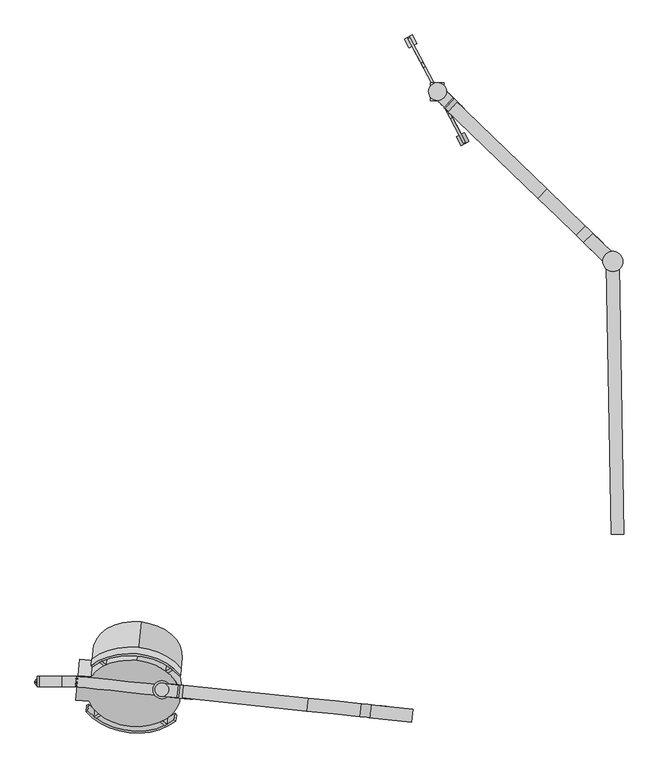
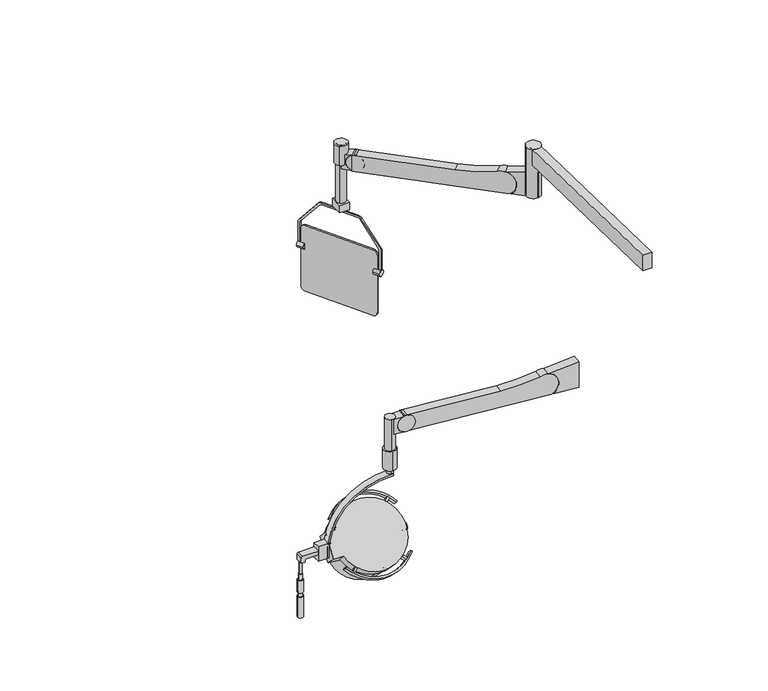
"""IFC4 building model written with IfcOpenShell, lengths in millimetres: proxy geometry."""

from ifc_helpers import new_model, si_unit, point, frame, frame_2d, origin, place, context, project, spatial, polyline, circle_curve, ellipse_curve, trimmed, segment, composite_curve, outline, extrude, source, transform, mapped, element, save
from ifc_brep_helpers import plane_surface, cylinder_surface, revolved_surface, advanced_brep


def specialty_equipment_4b2de52b(model_context):
    return source(origin(), model_context, "Body", "SolidModel", [
        advanced_brep(
        [(-1305.6702452, -813.0394482, 1924.8121858), (-1287.8350902, -643.3492828, 2095.4370521), (-1303.2106931, -789.6383728, 2071.9070769), (-1305.4358693, -810.8095105, 1927.0544067), (-1288.0694661, -645.5792206, 2093.1948312), (-1303.0127539, -787.7551075, 2070.0134381)],
        [
            (0, 1, circle_curve(frame((-1296.7526677, -728.1943655, 2010.124619), z_axis=(-0.07391278520356967, -0.703233176253404, 0.7071067811865475), x_axis=(0.07391278520356882, 0.7032331762534039, 0.7071067811865477)), 120.65)),
            (1, 2, circle_curve(frame((-1291.6310542, -679.465468, 1850.9185502), z_axis=(0.994521895368273, -0.1045284632676576, 0.0), x_axis=(-0.10452846326765822, -0.994521895368273, 0.0)), 247.2004974)),
            (2, 0, circle_curve(frame((-1280.111102, -569.8604443, 1961.127309), z_axis=(0.9945218953682734, -0.10452846326765301, 0.0), x_axis=(0.0, 0.0, 1.0000000000000002)), 247.2004974)),
            (1, 0, circle_curve(frame((-1296.7526677, -728.1943655, 2010.124619), z_axis=(-0.07391278520356967, -0.703233176253404, 0.7071067811865475), x_axis=(0.07391278520356882, 0.7032331762534039, 0.7071067811865477)), 120.65)),
            (3, 4, circle_curve(frame((-1296.7526677, -728.1943655, 2010.124619), z_axis=(-0.07391278520356967, -0.703233176253404, 0.7071067811865475), x_axis=(0.07391278520356882, 0.7032331762534039, 0.7071067811865477)), 117.4790208)),
            (4, 1),
            (0, 3),
            (4, 3, circle_curve(frame((-1296.7526677, -728.1943655, 2010.124619), z_axis=(-0.07391278520356967, -0.703233176253404, 0.7071067811865475), x_axis=(0.07391278520356882, 0.7032331762534039, 0.7071067811865477)), 117.4790208)),
            (5, 4, circle_curve(frame((-1291.6310542, -679.465468, 1850.9185502), z_axis=(-0.994521895368273, 0.1045284632676576, 0.0), x_axis=(-0.10452846326765822, -0.994521895368273, 0.0)), 244.6604974)),
            (3, 5, circle_curve(frame((-1280.111102, -569.8604443, 1961.127309), z_axis=(-0.9945218953682734, 0.10452846326765301, 0.0), x_axis=(0.0, 0.0, 1.0000000000000002)), 244.6604974)),
        ],
        [
            revolved_surface(trimmed(ellipse_curve(frame((-1291.6310542, -679.465468, 1850.9185502), z_axis=(-0.994521895368273, 0.1045284632676576, 0.0), x_axis=(-0.10452846326765822, -0.994521895368273, 0.0)), 247.2004974, 247.2004974), [point((-1303.2106931, -789.6383728, 2071.9070769))], [point((-1287.8350902, -643.3492828, 2095.4370521))], True, "CARTESIAN"), (-1298.4359791, -744.2100033, 2026.2284753), (0.07391278520356967, 0.703233176253404, -0.7071067811865475)),
            revolved_surface(trimmed(ellipse_curve(frame((-1291.6310542, -679.465468, 1850.9185502), z_axis=(-0.9945218953682728, 0.10452846326765822, 0.0), x_axis=(-0.10452846326765881, -0.9945218953682728, 0.0)), 247.2004974, 247.2004974), [point((-1303.2106931, -789.6383728, 2071.9070769))], [point((-1287.8350902, -643.3492828, 2095.4370521))], True, "CARTESIAN"), (-1298.4359791, -744.2100033, 2026.2284753), (0.07391278520356967, 0.703233176253404, -0.7071067811865475)),
            plane_surface(frame((-1296.7526677, -728.1943655, 2010.124619), z_axis=(0.07391278520356884, 0.7032331762534041, -0.7071067811865475), x_axis=(0.07391278520356882, 0.7032331762534039, 0.7071067811865477))),
            revolved_surface(trimmed(ellipse_curve(frame((-1291.6310542, -679.465468, 1850.9185502), z_axis=(0.994521895368273, -0.1045284632676576, 0.0), x_axis=(-0.10452846326765822, -0.994521895368273, 0.0)), 244.6604974, 244.6604974), [point((-1288.0694661, -645.5792206, 2093.1948312))], [point((-1303.0127539, -787.7551075, 2070.0134381))], True, "CARTESIAN"), (-1298.4359791, -744.2100033, 2026.2284753), (0.07391278520356967, 0.703233176253404, -0.7071067811865475)),
            revolved_surface(trimmed(ellipse_curve(frame((-1291.6310542, -679.465468, 1850.9185502), z_axis=(0.9945218953682728, -0.10452846326765822, 0.0), x_axis=(-0.10452846326765881, -0.9945218953682728, 0.0)), 244.6604974, 244.6604974), [point((-1288.0694661, -645.5792206, 2093.1948312))], [point((-1303.0127539, -787.7551075, 2070.0134381))], True, "CARTESIAN"), (-1298.4359791, -744.2100033, 2026.2284753), (0.07391278520356967, 0.703233176253404, -0.7071067811865475)),
        ],
        [
            (0, [[1, 2, 3]]),
            (1, [[4, -3, -2]]),
            (2, [[5, 6, -1, 7]]),
            (2, [[8, -7, -4, -6]]),
            (3, [[9, -5, 10]]),
            (4, [[-10, -8, -9]]),
        ],
    ),
        advanced_brep(
        [(-1304.1493855, -798.5694341, 2062.9268208), (-1302.2720007, -780.7073114, 2080.8873331), (-1303.2106931, -789.6383728, 2071.9070769), (-1300.8639622, -767.3107194, 2031.4959244), (-1298.9865774, -749.4485967, 2049.4564366), (-1299.9252698, -758.3796581, 2040.4761805)],
        [
            (0, 1, circle_curve(frame((-1303.2106931, -789.6383728, 2071.9070769), z_axis=(-0.07391278520356967, -0.703233176253404, 0.7071067811865475), x_axis=(0.07391278520356882, 0.7032331762534039, 0.7071067811865477)), 12.7)),
            (1, 2),
            (2, 0),
            (1, 0, circle_curve(frame((-1303.2106931, -789.6383728, 2071.9070769), z_axis=(-0.07391278520356967, -0.703233176253404, 0.7071067811865475), x_axis=(0.07391278520356882, 0.7032331762534039, 0.7071067811865477)), 12.7)),
            (3, 4, circle_curve(frame((-1299.9252698, -758.3796581, 2040.4761805), z_axis=(-0.07391278520356967, -0.703233176253404, 0.7071067811865475), x_axis=(0.07391278520356882, 0.7032331762534039, 0.7071067811865477)), 12.7)),
            (4, 1),
            (0, 3),
            (4, 3, circle_curve(frame((-1299.9252698, -758.3796581, 2040.4761805), z_axis=(-0.07391278520356967, -0.703233176253404, 0.7071067811865475), x_axis=(0.07391278520356882, 0.7032331762534039, 0.7071067811865477)), 12.7)),
            (5, 4),
            (3, 5),
        ],
        [
            plane_surface(frame((-1303.2106931, -789.6383728, 2071.9070769), z_axis=(-0.07391278520356884, -0.7032331762534041, 0.7071067811865475), x_axis=(0.07391278520356882, 0.7032331762534039, 0.7071067811865477))),
            cylinder_surface(frame((-1298.4359791, -744.2100033, 2026.2284753), z_axis=(0.07391278520356967, 0.703233176253404, -0.7071067811865475), x_axis=(0.07391278520356882, 0.7032331762534039, 0.7071067811865477)), 12.7),
            plane_surface(frame((-1299.9252698, -758.3796581, 2040.4761805), z_axis=(0.07391278520356884, 0.7032331762534041, -0.7071067811865475), x_axis=(0.07391278520356882, 0.7032331762534039, 0.7071067811865477))),
        ],
        [
            (0, [[1, 2, 3]]),
            (0, [[4, -3, -2]]),
            (1, [[5, 6, -1, 7]]),
            (1, [[8, -7, -4, -6]]),
            (2, [[9, -5, 10]]),
            (2, [[-10, -8, -9]]),
        ],
    ),
        extrude(outline(composite_curve([segment(trimmed(circle_curve(frame_2d((0.0, -107.9499999)), 107.95), [point((0.0, 0.0))], [point((0.0, -215.8999999))], False, "CARTESIAN"), True, "CONTINUOUS"), segment(trimmed(circle_curve(frame_2d((0.0, -107.9499999)), 107.95), [point((0.0, -215.8999999))], [point((0.0, 0.0))], False, "CARTESIAN"), True, "CONTINUOUS")], self_intersect=False)), frame((-1288.141506, -648.5723395, 2082.7030132), z_axis=(-0.07391278520356517, -0.7032331762534036, 0.7071067811865482), x_axis=(0.9945218953682736, -0.10452846326765139, 0.0)), (0.0, 0.0, 1.0), 5.3086505),
        advanced_brep(
        [(-1312.1282706, -874.4834555, 1986.5946438), (-1294.2931156, -704.79329, 2157.2195101), (-1303.2106931, -789.6383728, 2071.9070769), (-1305.6702452, -813.0394482, 1924.8121858), (-1287.8350902, -643.3492828, 2095.4370521), (-1303.2106931, -789.6383728, 2071.9070769)],
        [
            (0, 1, circle_curve(frame((-1303.2106931, -789.6383728, 2071.9070769), z_axis=(-0.07391278520356967, -0.703233176253404, 0.7071067811865475), x_axis=(0.07391278520356882, 0.7032331762534039, 0.7071067811865477)), 120.65)),
            (1, 2),
            (2, 0),
            (1, 0, circle_curve(frame((-1303.2106931, -789.6383728, 2071.9070769), z_axis=(-0.07391278520356967, -0.703233176253404, 0.7071067811865475), x_axis=(0.07391278520356882, 0.7032331762534039, 0.7071067811865477)), 120.65)),
            (3, 4, circle_curve(frame((-1296.7526677, -728.1943655, 2010.124619), z_axis=(-0.07391278520356967, -0.703233176253404, 0.7071067811865475), x_axis=(0.07391278520356882, 0.7032331762534039, 0.7071067811865477)), 120.65)),
            (4, 1),
            (0, 3),
            (4, 3, circle_curve(frame((-1296.7526677, -728.1943655, 2010.124619), z_axis=(-0.07391278520356967, -0.703233176253404, 0.7071067811865475), x_axis=(0.07391278520356882, 0.7032331762534039, 0.7071067811865477)), 120.65)),
            (5, 4, circle_curve(frame((-1291.6310542, -679.465468, 1850.9185502), z_axis=(-0.994521895368273, 0.1045284632676576, 0.0), x_axis=(-0.10452846326765822, -0.994521895368273, 0.0)), 247.2004974)),
            (3, 5, circle_curve(frame((-1280.111102, -569.8604443, 1961.127309), z_axis=(-0.9945218953682734, 0.10452846326765301, 0.0), x_axis=(0.0, 0.0, 1.0000000000000002)), 247.2004974)),
        ],
        [
            plane_surface(frame((-1303.2106931, -789.6383728, 2071.9070769), z_axis=(-0.07391278520356884, -0.7032331762534041, 0.7071067811865475), x_axis=(0.07391278520356882, 0.7032331762534039, 0.7071067811865477))),
            cylinder_surface(frame((-1298.4359791, -744.2100033, 2026.2284753), z_axis=(0.07391278520356967, 0.703233176253404, -0.7071067811865475), x_axis=(0.07391278520356882, 0.7032331762534039, 0.7071067811865477)), 120.65),
            revolved_surface(trimmed(ellipse_curve(frame((-1291.6310542, -679.465468, 1850.9185502), z_axis=(0.994521895368273, -0.1045284632676576, 0.0), x_axis=(-0.10452846326765822, -0.994521895368273, 0.0)), 247.2004974, 247.2004974), [point((-1287.8350902, -643.3492828, 2095.4370521))], [point((-1303.2106931, -789.6383728, 2071.9070769))], True, "CARTESIAN"), (-1298.4359791, -744.2100033, 2026.2284753), (0.07391278520356967, 0.703233176253404, -0.7071067811865475)),
            revolved_surface(trimmed(ellipse_curve(frame((-1291.6310542, -679.465468, 1850.9185502), z_axis=(0.9945218953682728, -0.10452846326765822, 0.0), x_axis=(-0.10452846326765881, -0.9945218953682728, 0.0)), 247.2004974, 247.2004974), [point((-1287.8350902, -643.3492828, 2095.4370521))], [point((-1303.2106931, -789.6383728, 2071.9070769))], True, "CARTESIAN"), (-1298.4359791, -744.2100033, 2026.2284753), (0.07391278520356967, 0.703233176253404, -0.7071067811865475)),
        ],
        [
            (0, [[1, 2, 3]]),
            (0, [[4, -3, -2]]),
            (1, [[5, 6, -1, 7]]),
            (1, [[8, -7, -4, -6]]),
            (2, [[9, -5, 10]]),
            (3, [[-10, -8, -9]]),
        ],
    ),
        advanced_brep(
        [(-1295.0465496, -714.269441, 2175.7027611), (-1313.8203971, -892.8906677, 1996.0976387), (-1286.462425, -632.596951, 2093.5803962), (-1305.2362725, -811.2181778, 1913.9752738), (-1287.8704636, -645.993543, 2080.1100121), (-1303.8282339, -797.8215858, 1927.445658), (-1294.9919085, -713.7495658, 2148.239254), (-1310.9496789, -865.5776086, 1995.5748999)],
        [
            (0, 1, circle_curve(frame((-1304.4334733, -803.5800543, 2085.9001999), z_axis=(-0.07391278520356515, -0.7032331762534036, 0.7071067811865482), x_axis=(-0.07391278520356531, -0.7032331762534051, -0.7071067811865469)), 127.0)),
            (1, 0, circle_curve(frame((-1304.4334733, -803.5800543, 2085.9001999), z_axis=(-0.07391278520356515, -0.7032331762534036, 0.7071067811865482), x_axis=(-0.07391278520356531, -0.7032331762534051, -0.7071067811865469)), 127.0)),
            (2, 3, circle_curve(frame((-1295.8493487, -721.9075644, 2003.777835), z_axis=(0.07391278520356515, 0.7032331762534036, -0.7071067811865482), x_axis=(-0.07391278520356531, -0.7032331762534051, -0.7071067811865469)), 127.0)),
            (3, 2, circle_curve(frame((-1295.8493487, -721.9075644, 2003.777835), z_axis=(0.07391278520356515, 0.7032331762534036, -0.7071067811865482), x_axis=(-0.07391278520356531, -0.7032331762534051, -0.7071067811865469)), 127.0)),
            (4, 5, circle_curve(frame((-1295.8493487, -721.9075644, 2003.777835), z_axis=(-0.0739127852035652, -0.7032331762534038, 0.7071067811865483), x_axis=(-0.07391278520356531, -0.7032331762534051, -0.7071067811865469)), 107.95)),
            (5, 4, circle_curve(frame((-1295.8493487, -721.9075644, 2003.777835), z_axis=(-0.0739127852035652, -0.7032331762534038, 0.7071067811865483), x_axis=(-0.07391278520356531, -0.7032331762534051, -0.7071067811865469)), 107.95)),
            (0, 2),
            (3, 1),
            (6, 7, circle_curve(frame((-1302.9707937, -789.6635872, 2071.9070769), z_axis=(0.0739127852035652, 0.7032331762534038, -0.7071067811865483), x_axis=(-0.07391278520356531, -0.7032331762534051, -0.7071067811865469)), 107.95)),
            (7, 6, circle_curve(frame((-1302.9707937, -789.6635872, 2071.9070769), z_axis=(0.0739127852035652, 0.7032331762534038, -0.7071067811865483), x_axis=(-0.07391278520356531, -0.7032331762534051, -0.7071067811865469)), 107.95)),
            (7, 5),
            (4, 6),
        ],
        [
            plane_surface(frame((-1313.8203971, -892.8906677, 1996.0976387), z_axis=(-0.07391278520356517, -0.7032331762534036, 0.7071067811865483), x_axis=(0.9945218953682736, -0.10452846326765138, 0.0))),
            plane_surface(frame((-1305.2362725, -811.2181778, 1913.9752738), z_axis=(0.07391278520356517, 0.7032331762534036, -0.7071067811865483), x_axis=(-0.9945218953682736, 0.10452846326765138, 0.0))),
            cylinder_surface(frame((-1295.8493487, -721.9075644, 2003.777835), z_axis=(-0.07391278520356516, -0.7032331762534038, 0.7071067811865483), x_axis=(-0.07391278520356531, -0.7032331762534051, -0.7071067811865469)), 127.0),
            plane_surface(frame((-1310.9496789, -865.5776086, 1995.5748999), z_axis=(0.07391278520356517, 0.7032331762534036, -0.7071067811865483), x_axis=(0.9945218953682736, -0.10452846326765139, 0.0))),
            revolved_surface(polyline([(-1310.9496788260976, -865.577608598772, 1995.5748999089462), (-1303.828233862725, -797.821585776555, 1927.4456579709124)]), (-1295.8493487, -721.9075644, 2003.777835), (-0.07391278520356521, -0.7032331762534039, 0.7071067811865485)),
        ],
        [
            (0, [[1, 2]]),
            (1, [[3, 4], [5, 6]]),
            (2, [[-1, 7, -4, 8]]),
            (2, [[-2, -8, -3, -7]]),
            (3, [[9, 10]]),
            (4, [[-10, 11, -5, 12]]),
            (4, [[-9, -12, -6, -11]]),
        ],
    ),
        advanced_brep(
        [(-513.8942609, 1001.8395463, 2046.4112668), (-522.8376942, 1018.6596979, 2027.3612668), (-522.8376942, 1018.6596979, 1784.8611512), (-513.8942609, 1001.8395463, 1765.8111512), (-383.4691924, 756.5456681, 1765.8111512), (-374.5257591, 739.7255165, 1784.8611512), (-374.5257591, 739.7255165, 2027.3612668), (-383.4691924, 756.5456681, 2046.4112668), (-508.4514172, 1004.7335576, 2046.4289905), (-377.9850696, 759.3620447, 2046.4289905), (-369.0829154, 742.6195278, 2027.3612668), (-369.0829154, 742.6195278, 1784.8611512), (-378.0263487, 759.4396794, 1765.8111512), (-508.4514172, 1004.7335576, 1765.8111512), (-517.3948505, 1021.5537092, 1784.8611512), (-517.3948505, 1021.5537092, 2027.3612668)],
        [
            (0, 1, circle_curve(frame((-513.8942609, 1001.8395463, 2027.3612668), z_axis=(-0.8829475928589281, -0.4694715627858887, 0.0), x_axis=(0.4694715627858887, -0.8829475928589281, 0.0)), 19.05)),
            (1, 2),
            (2, 3, circle_curve(frame((-513.8942609, 1001.8395463, 1784.8611512), z_axis=(-0.8829475928589281, -0.4694715627858887, 0.0), x_axis=(0.4694715627858887, -0.8829475928589281, 0.0)), 19.05)),
            (3, 4),
            (4, 5, circle_curve(frame((-383.4691924, 756.5456681, 1784.8611512), z_axis=(-0.8829475928589281, -0.4694715627858887, 0.0), x_axis=(0.4694715627858887, -0.8829475928589281, 0.0)), 19.05)),
            (5, 6),
            (6, 7, circle_curve(frame((-383.4691924, 756.5456681, 2027.3612668), z_axis=(-0.8829475928589281, -0.4694715627858887, 0.0), x_axis=(0.4694715627858887, -0.8829475928589281, 0.0)), 19.05)),
            (7, 0),
            (8, 9),
            (9, 10, circle_curve(frame((-378.0263487, 759.4396794, 2027.3612668), z_axis=(0.8829475928589281, 0.4694715627858887, 0.0), x_axis=(0.4694715627858887, -0.8829475928589281, 0.0)), 19.05)),
            (10, 11),
            (11, 12, circle_curve(frame((-378.0263487, 759.4396794, 1784.8611512), z_axis=(0.8829475928589281, 0.4694715627858887, 0.0), x_axis=(0.4694715627858887, -0.8829475928589281, 0.0)), 19.05)),
            (12, 13),
            (13, 14, circle_curve(frame((-508.4514172, 1004.7335576, 1784.8611512), z_axis=(0.8829475928589281, 0.4694715627858887, 0.0), x_axis=(0.4694715627858887, -0.8829475928589281, 0.0)), 19.05)),
            (14, 15),
            (15, 8, circle_curve(frame((-508.4514172, 1004.7335576, 2027.3612668), z_axis=(0.8829475928589281, 0.4694715627858887, 0.0), x_axis=(0.4694715627858887, -0.8829475928589281, 0.0)), 19.05)),
            (1, 15),
            (14, 2),
            (3, 13),
            (12, 4),
            (7, 9),
            (8, 0),
            (11, 5),
            (10, 6),
        ],
        [
            plane_surface(frame((-504.9508276, 985.0193946, 2027.3612668), z_axis=(-0.8829475928589281, -0.4694715627858887, 0.0), x_axis=(0.0, 0.0, 1.0))),
            plane_surface(frame((-499.507984, 987.9134059, 2027.3612668), z_axis=(0.8829475928589281, 0.4694715627858887, 0.0), x_axis=(0.0, 0.0, -1.0))),
            plane_surface(frame((-522.8376942, 1018.6596979, 2027.3612668), z_axis=(-0.46947156278589225, 0.8829475928589262, 0.0), x_axis=(0.8829475928589262, 0.46947156278589225, 0.0))),
            plane_surface(frame((-513.8942609, 1001.8395463, 1765.8111512), z_axis=(0.0, 0.0, -1.0000000000000002), x_axis=(0.8829475928589262, 0.46947156278589225, 0.0))),
            plane_surface(frame((-383.4279132, 756.4680334, 2046.4289905), z_axis=(0.0, 0.0, 1.0000000000000002), x_axis=(0.8829475928589262, 0.46947156278589225, 0.0))),
            cylinder_surface(frame((-508.4514172, 1004.7335576, 2027.3612668), z_axis=(-0.8829475928589281, -0.4694715627858887, 0.0), x_axis=(0.4694715627858887, -0.8829475928589281, 0.0)), 19.05),
            cylinder_surface(frame((-508.4514172, 1004.7335576, 1784.8611512), z_axis=(-0.8829475928589281, -0.4694715627858887, 0.0), x_axis=(0.4694715627858887, -0.8829475928589281, 0.0)), 19.05),
            cylinder_surface(frame((-378.0263487, 759.4396794, 1784.8611512), z_axis=(-0.8829475928589281, -0.4694715627858887, 0.0), x_axis=(0.4694715627858887, -0.8829475928589281, 0.0)), 19.05),
            plane_surface(frame((-374.5257591, 739.7255165, 1784.8611512), z_axis=(0.46947156278589225, -0.8829475928589262, 0.0), x_axis=(0.8829475928589262, 0.46947156278589225, 0.0))),
            cylinder_surface(frame((-378.0263487, 759.4396794, 2027.3612668), z_axis=(-0.8829475928589281, -0.4694715627858887, 0.0), x_axis=(0.4694715627858887, -0.8829475928589281, 0.0)), 19.05),
        ],
        [
            (0, [[1, 2, 3, 4, 5, 6, 7, 8]]),
            (1, [[9, 10, 11, 12, 13, 14, 15, 16]]),
            (2, [[-2, 17, -15, 18]]),
            (3, [[-4, 19, -13, 20]]),
            (4, [[-8, 21, -9, 22]]),
            (5, [[-1, -22, -16, -17]]),
            (6, [[-3, -18, -14, -19]]),
            (7, [[-5, -20, -12, 23]]),
            (8, [[-6, -23, -11, 24]]),
            (9, [[-7, -24, -10, -21]]),
        ],
    ),
        extrude(outline(composite_curve([segment(trimmed(circle_curve(frame_2d((0.0, -12.7)), 12.7), [point((0.0, -25.4))], [point((0.0, 0.0))], False, "CARTESIAN"), True, "CONTINUOUS"), segment(trimmed(circle_curve(frame_2d((0.0, -12.7)), 12.7), [point((0.0, 0.0))], [point((0.0, -25.4))], False, "CARTESIAN"), True, "CONTINUOUS")], self_intersect=False)), frame((-523.812155, 1000.15818, 1957.1110612), z_axis=(-0.46947156278589297, 0.8829475928589258, 0.0), x_axis=(0.0, 0.0, -1.0)), (0.0, 0.0, 1.0), 27.7312661),
        extrude(outline(composite_curve([segment(trimmed(circle_curve(frame_2d((0.0, -12.7)), 12.7), [point((0.0, -25.3999999))], [point((0.0, 0.0))], False, "CARTESIAN"), True, "CONTINUOUS"), segment(trimmed(circle_curve(frame_2d((0.0, -12.7)), 12.7), [point((0.0, 0.0))], [point((0.0, -25.3999999))], False, "CARTESIAN"), True, "CONTINUOUS")], self_intersect=False)), frame((-375.9280269, 722.0285866, 1957.1110612), z_axis=(-0.4694715627858873, 0.8829475928589289, 0.0), x_axis=(0.0, 0.0, -1.0)), (0.0, 0.0, 1.0), 27.7312661),
        extrude(outline(polyline([(-462.8551233, 850.0746977), (-462.8551233, 900.8746977), (-423.7336203, 900.8746977), (-423.7336203, 850.0746977), (-462.8551233, 850.0746977)])), frame((0.0, 0.0, 2174.6956266), z_axis=(0.0, 0.0, 1.0), x_axis=(1.0, 0.0, 0.0)), (0.0, 0.0, 1.0), 31.75),
        extrude(outline(composite_curve([segment(trimmed(circle_curve(frame_2d((0.0, -20.2693963)), 20.2693964), [point((12.7168685, -4.4855538))], [point((20.2693964, -20.2693963))], False, "CARTESIAN"), True, "CONTINUOUS"), segment(polyline([(20.2693964, -20.2693963), (20.2693964, -168.0406938)]), True, "CONTINUOUS"), segment(trimmed(circle_curve(frame_2d((0.0, -168.0406938)), 20.2693964), [point((20.2693964, -168.0406938))], [point((11.9140523, -184.4389799))], False, "CARTESIAN"), True, "CONTINUOUS"), segment(polyline([(11.9140523, -184.4389799), (-84.9796948, -262.5366206)]), True, "CONTINUOUS"), segment(trimmed(circle_curve(frame_2d((-92.4638155, -253.4593625)), 11.7647217), [point((-84.9796948, -262.5366206))], [point((-92.3622355, -265.2236457))], False, "CARTESIAN"), True, "CONTINUOUS"), segment(polyline([(-92.3622355, -265.2236457), (-177.1978944, -265.2236457), (-177.1978944, -256.6369988), (-94.1751587, -256.6369988)]), True, "CONTINUOUS"), segment(trimmed(circle_curve(frame_2d((-93.8125497, -246.9819184)), 9.661887), [point((-94.1751587, -256.6369988))], [point((-87.7322164, -254.4906872))], True, "CARTESIAN"), True, "CONTINUOUS"), segment(polyline([(-87.7322164, -254.4906872), (11.0847239, -174.4722513)]), True, "CONTINUOUS"), segment(trimmed(circle_curve(frame_2d((6.5642061, -168.8897411)), 7.1832793), [point((11.0847239, -174.4722513))], [point((13.7470195, -168.9715488))], True, "CARTESIAN"), True, "CONTINUOUS"), segment(polyline([(13.7470195, -168.9715488), (13.7470195, -15.1713537)]), True, "CONTINUOUS"), segment(trimmed(circle_curve(frame_2d((6.5642061, -15.2531615)), 7.1832793), [point((13.7470195, -15.1713537))], [point((10.9381038, -9.555046))], True, "CARTESIAN"), True, "CONTINUOUS"), segment(polyline([(10.9381038, -9.555046), (-87.9294285, 66.3360918)]), True, "CONTINUOUS"), segment(trimmed(circle_curve(frame_2d((-93.8125501, 58.6718279)), 9.661887), [point((-87.9294285, 66.3360918))], [point((-91.9442248, 68.1513543))], True, "CARTESIAN"), True, "CONTINUOUS"), segment(polyline([(-91.9442248, 68.1513543), (-177.1978944, 68.1513543), (-177.1978944, 76.9135556), (-92.3623126, 76.9135556)]), True, "CONTINUOUS"), segment(trimmed(circle_curve(frame_2d((-92.463816, 65.1492718)), 11.7647217), [point((-92.3623126, 76.9135556))], [point((-85.0827171, 74.3104975))], False, "CARTESIAN"), True, "CONTINUOUS"), segment(polyline([(-85.0827171, 74.3104975), (12.7168685, -4.4855538)]), True, "CONTINUOUS")], self_intersect=False)), frame((-403.6078411, 794.4209579, 2146.9059978), z_axis=(0.8829475928589281, 0.4694715627858887, 0.0), x_axis=(0.0, 0.0, 1.0)), (0.0, 0.0, 1.0), 6.1644017),
        advanced_brep(
        [(-1584.208122, -803.9443314, 2028.4513735), (-1570.1467767, -803.9443314, 2028.4513735), (-1571.9428855, -803.9443314, 2028.4513735), (-1582.4120132, -803.9443314, 2028.4513735), (-1584.208122, -803.9443314, 2003.0513735), (-1570.1467767, -803.9443314, 2003.0513735), (-1587.8930744, -803.9443314, 2003.0513735), (-1566.4618244, -803.9443314, 2003.0513735), (-1587.8930744, -803.9443314, 1949.888952), (-1566.4618244, -803.9443314, 1949.888952), (-1585.7004757, -803.9443314, 1933.2013735), (-1568.654423, -803.9443314, 1933.2013735), (-1568.654423, -803.9443314, 1949.888952), (-1585.7004757, -803.9443314, 1949.888952), (-1588.2899494, -803.9443314, 1933.2013735), (-1566.0649494, -803.9443314, 1933.2013735), (-1588.2899494, -803.9443314, 1844.3013735), (-1566.0649494, -803.9443314, 1844.3013735), (-1577.1774494, -803.9443314, 1844.3013735), (-1582.4120132, -803.9443314, 2079.2513735), (-1571.9428855, -803.9443314, 2079.2513735), (-1577.1774494, -803.9443314, 2079.2513735)],
        [
            (0, 1, circle_curve(frame((-1577.1774494, -803.9443314, 2028.4513735), z_axis=(0.0, 0.0, 1.0), x_axis=(1.0, 0.0, 0.0)), 7.0306726)),
            (1, 2),
            (2, 3, circle_curve(frame((-1577.1774494, -803.9443314, 2028.4513735), z_axis=(0.0, 0.0, -1.0), x_axis=(1.0, 0.0, 0.0)), 5.2345639)),
            (3, 0),
            (1, 0, circle_curve(frame((-1577.1774494, -803.9443314, 2028.4513735), z_axis=(0.0, 0.0, 1.0), x_axis=(1.0, 0.0, 0.0)), 7.0306726)),
            (3, 2, circle_curve(frame((-1577.1774494, -803.9443314, 2028.4513735), z_axis=(0.0, 0.0, -1.0), x_axis=(1.0, 0.0, 0.0)), 5.2345639)),
            (4, 5, circle_curve(frame((-1577.1774494, -803.9443314, 2003.0513735), z_axis=(0.0, 0.0, 1.0), x_axis=(1.0, 0.0, 0.0)), 7.0306726)),
            (5, 1),
            (0, 4),
            (5, 4, circle_curve(frame((-1577.1774494, -803.9443314, 2003.0513735), z_axis=(0.0, 0.0, 1.0), x_axis=(1.0, 0.0, 0.0)), 7.0306726)),
            (6, 7, circle_curve(frame((-1577.1774494, -803.9443314, 2003.0513735), z_axis=(0.0, 0.0, 1.0), x_axis=(1.0, 0.0, 0.0)), 10.715625)),
            (7, 5),
            (4, 6),
            (7, 6, circle_curve(frame((-1577.1774494, -803.9443314, 2003.0513735), z_axis=(0.0, 0.0, 1.0), x_axis=(1.0, 0.0, 0.0)), 10.715625)),
            (8, 9, circle_curve(frame((-1577.1774494, -803.9443314, 1949.888952), z_axis=(0.0, 0.0, 1.0), x_axis=(1.0, 0.0, 0.0)), 10.715625)),
            (9, 7),
            (6, 8),
            (9, 8, circle_curve(frame((-1577.1774494, -803.9443314, 1949.888952), z_axis=(0.0, 0.0, 1.0), x_axis=(1.0, 0.0, 0.0)), 10.715625)),
            (10, 11, circle_curve(frame((-1577.1774494, -803.9443314, 1933.2013735), z_axis=(0.0, 0.0, 1.0), x_axis=(1.0, 0.0, 0.0)), 8.5230263)),
            (11, 12),
            (12, 13, circle_curve(frame((-1577.1774494, -803.9443314, 1949.888952), z_axis=(0.0, 0.0, -1.0), x_axis=(1.0, 0.0, 0.0)), 8.5230263)),
            (13, 10),
            (11, 10, circle_curve(frame((-1577.1774494, -803.9443314, 1933.2013735), z_axis=(0.0, 0.0, 1.0), x_axis=(1.0, 0.0, 0.0)), 8.5230263)),
            (13, 12, circle_curve(frame((-1577.1774494, -803.9443314, 1949.888952), z_axis=(0.0, 0.0, -1.0), x_axis=(1.0, 0.0, 0.0)), 8.5230263)),
            (14, 15, circle_curve(frame((-1577.1774494, -803.9443314, 1933.2013735), z_axis=(0.0, 0.0, 1.0), x_axis=(1.0, 0.0, 0.0)), 11.1125)),
            (15, 11),
            (10, 14),
            (15, 14, circle_curve(frame((-1577.1774494, -803.9443314, 1933.2013735), z_axis=(0.0, 0.0, 1.0), x_axis=(1.0, 0.0, 0.0)), 11.1125)),
            (16, 17, circle_curve(frame((-1577.1774494, -803.9443314, 1844.3013735), z_axis=(0.0, 0.0, 1.0), x_axis=(1.0, 0.0, 0.0)), 11.1125)),
            (17, 15),
            (14, 16),
            (17, 16, circle_curve(frame((-1577.1774494, -803.9443314, 1844.3013735), z_axis=(0.0, 0.0, 1.0), x_axis=(1.0, 0.0, 0.0)), 11.1125)),
            (18, 17),
            (16, 18),
            (19, 20, circle_curve(frame((-1577.1774494, -803.9443314, 2079.2513735), z_axis=(0.0, 0.0, 1.0), x_axis=(1.0, 0.0, 0.0)), 5.2345639)),
            (20, 21),
            (21, 19),
            (20, 19, circle_curve(frame((-1577.1774494, -803.9443314, 2079.2513735), z_axis=(0.0, 0.0, 1.0), x_axis=(1.0, 0.0, 0.0)), 5.2345639)),
            (2, 20),
            (19, 3),
            (12, 9),
            (8, 13),
        ],
        [
            plane_surface(frame((-1577.1774494, -803.9443314, 2028.4513735), z_axis=(0.0, 0.0, 1.0), x_axis=(1.0, 0.0, 0.0))),
            cylinder_surface(frame((-1577.1774494, -803.9443314, 2079.2513735), z_axis=(0.0, 0.0, -1.0), x_axis=(1.0, 0.0, 0.0)), 7.0306726),
            plane_surface(frame((-1577.1774494, -803.9443314, 2003.0513735), z_axis=(0.0, 0.0, 1.0), x_axis=(1.0, 0.0, 0.0))),
            cylinder_surface(frame((-1577.1774494, -803.9443314, 2079.2513735), z_axis=(0.0, 0.0, -1.0), x_axis=(1.0, 0.0, 0.0)), 10.715625),
            cylinder_surface(frame((-1577.1774494, -803.9443314, 2079.2513735), z_axis=(0.0, 0.0, -1.0), x_axis=(1.0, 0.0, 0.0)), 8.5230263),
            plane_surface(frame((-1577.1774494, -803.9443314, 1933.2013735), z_axis=(0.0, 0.0, 1.0), x_axis=(1.0, 0.0, 0.0))),
            cylinder_surface(frame((-1577.1774494, -803.9443314, 2079.2513735), z_axis=(0.0, 0.0, -1.0), x_axis=(1.0, 0.0, 0.0)), 11.1125),
            plane_surface(frame((-1577.1774494, -803.9443314, 1844.3013735), z_axis=(0.0, 0.0, -1.0), x_axis=(1.0, 0.0, 0.0))),
            plane_surface(frame((-1577.1774494, -803.9443314, 2079.2513735), z_axis=(0.0, 0.0, 1.0), x_axis=(1.0, 0.0, 0.0))),
            cylinder_surface(frame((-1577.1774494, -803.9443314, 2079.2513735), z_axis=(0.0, 0.0, -1.0), x_axis=(1.0, 0.0, 0.0)), 5.2345639),
            plane_surface(frame((-1577.1774494, -803.9443314, 1949.888952), z_axis=(0.0, 0.0, -1.0), x_axis=(1.0, 0.0, 0.0))),
        ],
        [
            (0, [[1, 2, 3, 4]]),
            (0, [[5, -4, 6, -2]]),
            (1, [[7, 8, -1, 9]]),
            (1, [[10, -9, -5, -8]]),
            (2, [[11, 12, -7, 13]]),
            (2, [[14, -13, -10, -12]]),
            (3, [[15, 16, -11, 17]]),
            (3, [[18, -17, -14, -16]]),
            (4, [[19, 20, 21, 22]]),
            (4, [[23, -22, 24, -20]]),
            (5, [[25, 26, -19, 27]]),
            (5, [[28, -27, -23, -26]]),
            (6, [[29, 30, -25, 31]]),
            (6, [[32, -31, -28, -30]]),
            (7, [[33, -29, 34]]),
            (7, [[-34, -32, -33]]),
            (8, [[35, 36, 37]]),
            (8, [[38, -37, -36]]),
            (9, [[-3, 39, -35, 40]]),
            (9, [[-6, -40, -38, -39]]),
            (10, [[-21, 41, -15, 42]]),
            (10, [[-24, -42, -18, -41]]),
        ],
    ),
        extrude(outline(composite_curve([segment(polyline([(2091.9513735, -1560.3619797), (2091.9513735, -1511.2210105), (2107.0326235, -1511.2210105), (2107.0326235, -1574.7210105)]), True, "CONTINUOUS"), segment(trimmed(circle_curve(frame_2d((2100.6826235, -1574.7210105)), 6.35), [point((2107.0326235, -1574.7210105))], [point((2100.6826235, -1581.0710105))], False, "CARTESIAN"), True, "CONTINUOUS"), segment(polyline([(2100.6826235, -1581.0710105), (2079.2513735, -1581.0710105), (2079.2513735, -1565.9897605), (2086.3235927, -1565.9897605)]), True, "CONTINUOUS"), segment(trimmed(circle_curve(frame_2d((2086.3235927, -1560.3619797)), 5.6277808), [point((2086.3235927, -1565.9897605))], [point((2091.9513735, -1560.3619797))], True, "CARTESIAN"), True, "CONTINUOUS")], self_intersect=False)), frame((0.0, -816.7454978, 0.0), z_axis=(0.0, 1.0, 0.0), x_axis=(0.0, 0.0, 1.0)), (0.0, 0.0, 1.0), 30.2616651),
        extrude(outline(polyline([(-1511.2210105, -816.7454978), (-1511.2210105, -786.4838327), (-1461.9484859, -786.4838327), (-1461.9484859, -816.7454978), (-1511.2210105, -816.7454978)])), frame((0.0, 0.0, 2063.0952448), z_axis=(0.0, 0.0, 1.0), x_axis=(1.0, 0.0, 0.0)), (0.0, 0.0, 1.0), 62.4747574),
        extrude(outline(composite_curve([segment(trimmed(circle_curve(frame_2d((-442.6627669, 875.4746977)), 25.4), [point((-425.0184443, 893.7459287))], [point((-460.3070895, 857.2034668))], False, "CARTESIAN"), True, "CONTINUOUS"), segment(trimmed(circle_curve(frame_2d((-442.6627669, 875.4746977)), 25.4), [point((-460.3070895, 857.2034668))], [point((-425.0184443, 893.7459287))], False, "CARTESIAN"), True, "CONTINUOUS")], self_intersect=False)), frame((0.0, 0.0, 2372.395801), z_axis=(0.0, 0.0, 1.0), x_axis=(1.0, 0.0, 0.0)), (0.0, 0.0, 1.0), 81.4023591),
        extrude(outline(composite_curve([segment(trimmed(circle_curve(frame_2d((-442.6627669, 875.4746977)), 19.05), [point((-429.4295249, 889.1781209))], [point((-455.8960088, 861.7712745))], False, "CARTESIAN"), True, "CONTINUOUS"), segment(trimmed(circle_curve(frame_2d((-442.6627669, 875.4746977)), 19.05), [point((-455.8960088, 861.7712745))], [point((-429.4295249, 889.1781209))], False, "CARTESIAN"), True, "CONTINUOUS")], self_intersect=False)), frame((0.0, 0.0, 2206.4456266), z_axis=(0.0, 0.0, 1.0), x_axis=(1.0, 0.0, 0.0)), (0.0, 0.0, 1.0), 247.3525334),
        extrude(outline(composite_curve([segment(trimmed(circle_curve(frame_2d((7.3880479, -33.469286)), 34.2750106), [point((0.0, 0.0))], [point((0.0, -66.9385719))], True, "CARTESIAN"), True, "CONTINUOUS"), segment(polyline([(0.0, -66.9385719), (-47.5884878, -62.7751187), (-47.5884878, 0.0), (0.0, 0.0)]), True, "CONTINUOUS")], self_intersect=False)), frame((-421.1952184, 829.1986761, 2352.5500689), z_axis=(0.6946583704590021, 0.7193398003386466, 0.0), x_axis=(0.7193398003386466, -0.6946583704590021, 0.0)), (0.0, 0.0, 1.0), 36.7511439),
        extrude(outline(composite_curve([segment(trimmed(circle_curve(frame_2d((0.0, -34.2750106)), 34.2750106), [point((0.0, -68.5500212))], [point((0.0, 0.0))], False, "CARTESIAN"), True, "CONTINUOUS"), segment(trimmed(circle_curve(frame_2d((0.0, -34.2750106)), 34.2750106), [point((0.0, 0.0))], [point((0.0, -68.5500212))], False, "CARTESIAN"), True, "CONTINUOUS")], self_intersect=False)), frame((-391.2253222, 800.2570838, 2386.0193549), z_axis=(0.6946583704590019, 0.7193398003386466, 0.0), x_axis=(0.0, 0.0, 1.0)), (0.0, 0.0, 1.0), 36.7511439),
        extrude(outline(composite_curve([segment(polyline([(41.2242612, 21.6592667), (41.2242612, -76.3924791), (-68.2721908, -76.3924791), (-49.8465036, 45.4330266)]), True, "CONTINUOUS"), segment(trimmed(circle_curve(frame_2d((0.0, 50.0608718)), 50.0608717), [point((-49.8465036, 45.4330266))], [point((41.2242612, 21.6592667))], True, "CARTESIAN"), True, "CONTINUOUS")], self_intersect=False)), frame((4.1685268, 416.7737102, 2392.9338142), z_axis=(0.694658370459002, 0.7193398003386466, 0.0), x_axis=(0.0, 0.0, -1.0)), (0.0, 0.0, 1.0), 36.7511439),
        extrude(outline(composite_curve([segment(polyline([(710.5492114, 698.8665187), (710.5492114, 1069.9138415), (779.1688151, 1069.9138415), (779.1688151, 503.4843296)]), True, "CONTINUOUS"), segment(trimmed(circle_curve(frame_2d((735.4529793, 525.329056)), 48.8698923), [point((779.1688151, 503.4843296))], [point((691.4514506, 546.5924483))], False, "CARTESIAN"), True, "CONTINUOUS"), segment(trimmed(circle_curve(frame_2d((0.0, 710.6468589)), 710.646859), [point((691.4514506, 546.5924483))], [point((710.5492114, 698.8665187))], True, "CARTESIAN"), True, "CONTINUOUS")], self_intersect=False)), frame((345.8979888, 86.7694047, 3130.8783681), z_axis=(0.694658370459002, 0.7193398003386466, 0.0), x_axis=(0.0, 0.0, -1.0)), (0.0, 0.0, 1.0), 36.7511439),
        extrude(outline(composite_curve([segment(trimmed(circle_curve(frame_2d((56.1712971, 392.7134114)), 28.5779075), [point((84.744852, 393.2121647))], [point((27.5977422, 392.2146582))], False, "CARTESIAN"), True, "CONTINUOUS"), segment(trimmed(circle_curve(frame_2d((56.1712971, 392.7134114)), 28.5779075), [point((27.5977422, 392.2146582))], [point((84.744852, 393.2121647))], False, "CARTESIAN"), True, "CONTINUOUS")], self_intersect=False)), frame((0.0, 0.0, 2351.709553), z_axis=(0.0, 0.0, 1.0), x_axis=(1.0, 0.0, 0.0)), (0.0, 0.0, 1.0), 209.55),
        extrude(outline(polyline([(74.6698141, 382.3327244), (88.0328342, -383.2341812), (51.2872877, -383.8755771), (37.9242676, 381.6913285), (74.6698141, 382.3327244)])), frame((0.0, 0.0, 2495.4957127), z_axis=(0.0, 0.0, 1.0), x_axis=(1.0, 0.0, 0.0)), (0.0, 0.0, 1.0), 65.7638403),
        advanced_brep(
        [(-1317.8816643, -929.2233402, 2024.6636825), (-1298.1691245, -741.6710521, 2213.2490611), (-1428.2554124, -788.7568776, 2152.8234568), (-1465.1524714, -784.8788405, 2152.8234568), (-1472.4793898, -854.5898129, 2082.7284969), (-1434.2528075, -858.6075886, 2082.7284969), (-1294.7654582, -709.2873306, 2180.686961), (-1314.4779981, -896.8396187, 1992.1015825), (-1430.8491412, -826.2238671, 2050.1663968), (-1426.4836842, -826.6826951, 2050.1663968), (-1419.1567657, -756.9717227, 2120.2613567), (-1424.8517461, -756.3731562, 2120.2613567), (-1417.6940861, -743.0552556, 2106.2682338), (-1460.2861254, -738.5786518, 2106.2682338), (-1467.6130439, -808.2896242, 2036.1732739), (-1425.0210045, -812.766228, 2036.1732739)],
        [
            (0, 1, circle_curve(frame((-1308.0253944, -835.4471961, 2118.9563718), z_axis=(-0.07391278520356515, -0.7032331762534036, 0.7071067811865482), x_axis=(-0.07391278520356531, -0.7032331762534051, -0.7071067811865469)), 133.35)),
            (1, 2, circle_curve(frame((-1308.0253944, -835.4471961, 2118.9563718), z_axis=(-0.07391278520356515, -0.7032331762534036, 0.7071067811865482), x_axis=(-0.07391278520356531, -0.7032331762534051, -0.7071067811865469)), 133.35)),
            (2, 3),
            (3, 4),
            (4, 5),
            (5, 0, circle_curve(frame((-1308.0253944, -835.4471961, 2118.9563718), z_axis=(-0.07391278520356515, -0.7032331762534036, 0.7071067811865482), x_axis=(-0.07391278520356531, -0.7032331762534051, -0.7071067811865469)), 133.35)),
            (6, 7, circle_curve(frame((-1304.6217282, -803.0634746, 2086.3942717), z_axis=(0.07391278520356515, 0.7032331762534036, -0.7071067811865482), x_axis=(-0.07391278520356531, -0.7032331762534051, -0.7071067811865469)), 133.35)),
            (7, 8, circle_curve(frame((-1304.6217282, -803.0634746, 2086.3942717), z_axis=(0.07391278520356515, 0.7032331762534036, -0.7071067811865482), x_axis=(-0.07391278520356531, -0.7032331762534051, -0.7071067811865469)), 133.35)),
            (8, 9),
            (9, 10),
            (10, 11),
            (11, 6, circle_curve(frame((-1304.6217282, -803.0634746, 2086.3942717), z_axis=(0.07391278520356515, 0.7032331762534036, -0.7071067811865482), x_axis=(-0.07391278520356531, -0.7032331762534051, -0.7071067811865469)), 133.35)),
            (1, 6),
            (11, 2),
            (7, 0),
            (5, 8),
            (12, 13),
            (13, 3),
            (10, 12),
            (4, 14),
            (14, 15),
            (15, 9),
            (12, 15),
            (14, 13),
        ],
        [
            plane_surface(frame((-1317.8816643, -929.2233402, 2024.6636825), z_axis=(-0.07391278520356521, -0.7032331762534038, 0.7071067811865483), x_axis=(0.9945218953682736, -0.1045284632676514, 0.0))),
            plane_surface(frame((-1314.4779981, -896.8396187, 1992.1015825), z_axis=(0.07391278520356521, 0.7032331762534038, -0.7071067811865483), x_axis=(-0.9945218953682736, 0.1045284632676514, 0.0))),
            cylinder_surface(frame((-1304.6217282, -803.0634746, 2086.3942717), z_axis=(-0.07391278520356516, -0.7032331762534038, 0.7071067811865483), x_axis=(-0.07391278520356531, -0.7032331762534051, -0.7071067811865469)), 133.35),
            plane_surface(frame((-1460.2861254, -738.5786518, 2106.2682338), z_axis=(0.07391278520356691, 0.703233176253405, 0.7071067811865469), x_axis=(-0.9945218953682736, 0.10452846326765093, 0.0))),
            plane_surface(frame((-1467.6130439, -808.2896242, 2036.1732739), z_axis=(-0.07391278520356691, -0.703233176253405, -0.7071067811865469), x_axis=(0.9945218953682736, -0.10452846326765093, 0.0))),
            plane_surface(frame((-1417.6940861, -743.0552556, 2106.2682338), z_axis=(0.07391278520356293, 0.7032331762534036, -0.7071067811865488), x_axis=(-0.07391278520356726, -0.7032331762534053, -0.7071067811865465))),
            plane_surface(frame((-1460.2861254, -738.5786518, 2106.2682338), z_axis=(-0.9945218953682737, 0.104528463267651, 0.0), x_axis=(-0.07391278520356726, -0.7032331762534053, -0.7071067811865465))),
            plane_surface(frame((-1422.560432, -789.3554442, 2152.8234568), z_axis=(0.9945218953682737, -0.104528463267651, 0.0), x_axis=(-0.07391278520356726, -0.7032331762534053, -0.7071067811865465))),
        ],
        [
            (0, [[1, 2, 3, 4, 5, 6]]),
            (1, [[7, 8, 9, 10, 11, 12]]),
            (2, [[13, -12, 14, -2]]),
            (2, [[15, -6, 16, -8]]),
            (2, [[-1, -15, -7, -13]]),
            (3, [[17, 18, -3, -14, -11, 19]]),
            (4, [[20, 21, 22, -9, -16, -5]]),
            (5, [[-17, 23, -21, 24]]),
            (6, [[-18, -24, -20, -4]]),
            (7, [[-23, -19, -10, -22]]),
        ],
    ),
        extrude(outline(composite_curve([segment(trimmed(circle_curve(frame_2d((0.0, -12.7)), 12.7), [point((1e-07, -25.4))], [point((0.0, 0.0))], False, "CARTESIAN"), True, "CONTINUOUS"), segment(trimmed(circle_curve(frame_2d((0.0, -12.7)), 12.7), [point((0.0, 0.0))], [point((1e-07, -25.4))], False, "CARTESIAN"), True, "CONTINUOUS")], self_intersect=False)), frame((-1165.9192325, -824.4571923, 2113.3546941), z_axis=(-0.9945218953682732, 0.10452846326765453, 0.0), x_axis=(-0.07391278520356735, -0.7032331762534035, 0.7071067811865482)), (0.0, 0.0, 1.0), 16.4565188),
        extrude(outline(polyline([(0.0, 0.0), (3.1250724, -17.7231666), (-4.9953789, -19.1550213), (-8.372926, 0.0), (0.0, 0.0)])), frame((-1389.929605, -739.1713865, 2168.9296226), z_axis=(-0.07391278520356503, -0.7032331762534039, 0.7071067811865481), x_axis=(-0.857059275618917, -0.3177332747871823, -0.4055797876726481)), (0.0, 0.0, 1.0), 26.3141506),
        extrude(outline(polyline([(18.498546, 1e-07), (19.9524894, -8.2457224), (0.501971, -8.2457224), (0.501971, 0.0), (18.498546, 1e-07)])), frame((-1193.9185175, -750.4727613, 2178.1788956), z_axis=(-0.07391278520356509, -0.7032331762534036, 0.7071067811865483), x_axis=(-0.7554974078872302, -0.423348162480572, -0.49999999999999944)), (0.0, 0.0, 1.0), 26.3141506),
        extrude(outline(composite_curve([segment(polyline([(128.2125306, -66.0776604), (123.7224025, -70.5677884)]), True, "CONTINUOUS"), segment(trimmed(circle_curve(frame_2d((0.0, -160.9109814)), 153.1963621), [point((123.7224025, -70.5677884))], [point((-123.7224025, -70.5677884))], True, "CARTESIAN"), True, "CONTINUOUS"), segment(polyline([(-123.7224025, -70.5677884), (-128.2125305, -66.0776604)]), True, "CONTINUOUS"), segment(trimmed(circle_curve(frame_2d((0.0, -157.4262018)), 157.4262018), [point((-128.2125305, -66.0776604))], [point((128.2125306, -66.0776604))], False, "CARTESIAN"), True, "CONTINUOUS")], self_intersect=False)), frame((-1294.324643, -705.0932536, 2212.8145116), z_axis=(-0.0739127852035651, -0.7032331762534036, 0.7071067811865482), x_axis=(0.9945218953682736, -0.10452846326765133, 0.0)), (0.0, 0.0, 1.0), 26.3141506),
        extrude(outline(polyline([(18.4985461, 0.0), (19.9524893, -8.2457224), (0.5019711, -8.2457224), (0.501971, 0.0), (18.4985461, 0.0)])), frame((-1418.2423671, -883.4116635, 2022.5200194), z_axis=(-0.07391278520356505, -0.7032331762534038, 0.7071067811865482), x_axis=(0.7554974078872312, 0.42334816248057117, 0.4999999999999987)), (0.0, 0.0, 1.0), 26.3141506),
        extrude(outline(polyline([(0.0, 0.0), (3.1250724, -17.7231666), (-4.9953789, -19.1550212), (-8.3729259, 0.0), (0.0, 0.0)])), frame((-1222.2312796, -894.7130384, 2031.7692924), z_axis=(-0.07391278520356527, -0.7032331762534036, 0.7071067811865482), x_axis=(0.8570592756189218, 0.3177332747871762, 0.40557978767264263)), (0.0, 0.0, 1.0), 26.3141506),
        extrude(outline(composite_curve([segment(trimmed(circle_curve(frame_2d((-129.8531229, -26.0667767)), 157.4262018), [point((25.3999999, -1e-07))], [point((-155.9198996, -181.3198996))], False, "CARTESIAN"), True, "CONTINUOUS"), segment(polyline([(-155.9198996, -181.3198996), (-155.9198996, -174.9698996)]), True, "CONTINUOUS"), segment(trimmed(circle_curve(frame_2d((-132.3172342, -23.6026655)), 153.1963621), [point((-155.9198996, -174.9698996))], [point((19.0499999, -1e-07))], True, "CARTESIAN"), True, "CONTINUOUS"), segment(polyline([(19.0499999, -1e-07), (25.3999999, -1e-07)]), True, "CONTINUOUS")], self_intersect=False)), frame((-1201.9766999, -881.2172142, 2047.3083651), z_axis=(-0.07391278520356528, -0.7032331762534036, 0.7071067811865483), x_axis=(0.6509689446196784, -0.5711737328876467, -0.49999999999993344)), (0.0, 0.0, 1.0), 26.3141506),
        extrude(outline(composite_curve([segment(polyline([(0.0, 0.0), (6.3415605, 0.0)]), True, "CONTINUOUS"), segment(trimmed(circle_curve(frame_2d((259.6750509, -26.7712504)), 254.7441013), [point((6.3415605, 0.0))], [point((253.7031106, -281.4453423))], True, "CARTESIAN"), True, "CONTINUOUS"), segment(polyline([(253.7031106, -281.4453423), (253.7031106, -288.5484987)]), True, "CONTINUOUS"), segment(trimmed(circle_curve(frame_2d((261.517805, -25.8704226)), 262.7942943), [point((253.7031106, -288.5484987))], [point((0.0, 0.0))], False, "CARTESIAN"), True, "CONTINUOUS")], self_intersect=False)), frame((-1474.8454562, -816.4331656, 2063.0952448), z_axis=(0.10452846326765929, 0.9945218953682727, 0.0), x_axis=(0.9945218953682727, -0.10452846326765929, 0.0)), (0.0, 0.0, 1.0), 30.1143022),
        extrude(outline(composite_curve([segment(trimmed(circle_curve(frame_2d((-1227.0018995, -825.1702974)), 12.7), [point((-1228.329411, -837.8007255))], [point((-1225.674388, -812.5398693))], False, "CARTESIAN"), True, "CONTINUOUS"), segment(trimmed(circle_curve(frame_2d((-1227.0018995, -825.1702974)), 12.7), [point((-1225.674388, -812.5398693))], [point((-1228.329411, -837.8007255))], False, "CARTESIAN"), True, "CONTINUOUS")], self_intersect=False)), frame((0.0, 0.0, 2350.961509), z_axis=(0.0, 0.0, 1.0), x_axis=(1.0, 0.0, 0.0)), (0.0, 0.0, 1.0), 21.434292),
        advanced_brep(
        [(-1228.9931667, -844.1159395, 2587.8665526), (-1225.0106323, -806.2246553, 2587.8665526), (-1228.9931667, -844.1159395, 2453.79816), (-1225.0106323, -806.2246553, 2453.79816), (-1229.6569225, -850.4311535, 2453.79816), (-1224.3468765, -799.9094412, 2453.79816), (-1229.6569225, -850.4311535, 2372.395801), (-1224.3468765, -799.9094412, 2372.395801)],
        [
            (0, 1, circle_curve(frame((-1227.0018995, -825.1702974, 2587.8665526), z_axis=(0.0, 0.0, 1.0), x_axis=(0.10452846326765758, 0.9945218953682731, 0.0)), 19.05)),
            (1, 0, circle_curve(frame((-1227.0018995, -825.1702974, 2587.8665526), z_axis=(0.0, 0.0, 1.0), x_axis=(0.10452846326765758, 0.9945218953682731, 0.0)), 19.05)),
            (0, 2),
            (2, 3, circle_curve(frame((-1227.0018995, -825.1702974, 2453.79816), z_axis=(0.0, 0.0, 1.0), x_axis=(0.10452846326765758, 0.9945218953682731, 0.0)), 19.05)),
            (3, 1),
            (3, 2, circle_curve(frame((-1227.0018995, -825.1702974, 2453.79816), z_axis=(0.0, 0.0, 1.0), x_axis=(0.10452846326765758, 0.9945218953682731, 0.0)), 19.05)),
            (4, 5, circle_curve(frame((-1227.0018995, -825.1702974, 2453.79816), z_axis=(0.0, 0.0, 1.0), x_axis=(0.10452846326765758, 0.9945218953682731, 0.0)), 25.4)),
            (5, 4, circle_curve(frame((-1227.0018995, -825.1702974, 2453.79816), z_axis=(0.0, 0.0, 1.0), x_axis=(0.10452846326765758, 0.9945218953682731, 0.0)), 25.4)),
            (6, 7, circle_curve(frame((-1227.0018995, -825.1702974, 2372.395801), z_axis=(0.0, 0.0, -1.0), x_axis=(0.10452846326765758, 0.9945218953682731, 0.0)), 25.4)),
            (7, 6, circle_curve(frame((-1227.0018995, -825.1702974, 2372.395801), z_axis=(0.0, 0.0, -1.0), x_axis=(0.10452846326765758, 0.9945218953682731, 0.0)), 25.4)),
            (4, 6),
            (7, 5),
        ],
        [
            plane_surface(frame((-1225.0106323, -806.2246553, 2587.8665526), z_axis=(0.0, 0.0, 1.0000000000000002), x_axis=(-0.9945218953682731, 0.10452846326765758, 0.0))),
            cylinder_surface(frame((-1227.0018995, -825.1702974, 2453.79816), z_axis=(0.0, 0.0, 1.0000000000000002), x_axis=(0.10452846326765758, 0.9945218953682731, 0.0)), 19.05),
            plane_surface(frame((-1224.3468765, -799.9094412, 2453.79816), z_axis=(0.0, 0.0, 1.0), x_axis=(-0.994521895368273, 0.10452846326765756, 0.0))),
            plane_surface(frame((-1224.3468765, -799.9094412, 2372.395801), z_axis=(0.0, 0.0, -1.0), x_axis=(0.994521895368273, -0.10452846326765756, 0.0))),
            cylinder_surface(frame((-1227.0018995, -825.1702974, 2372.395801), z_axis=(0.0, 0.0, 1.0000000000000002), x_axis=(0.10452846326765758, 0.9945218953682731, 0.0)), 25.4),
        ],
        [
            (0, [[1, 2]]),
            (1, [[-1, 3, 4, 5]]),
            (1, [[-2, -5, 6, -3]]),
            (2, [[7, 8], [-4, -6]]),
            (3, [[9, 10]]),
            (4, [[-7, 11, -10, 12]]),
            (4, [[-8, -12, -9, -11]]),
        ],
    ),
        extrude(outline(composite_curve([segment(trimmed(circle_curve(frame_2d((0.0, 34.2750106)), 34.2750106), [point((33.469286, 41.6630585))], [point((-33.4692859, 41.6630585))], True, "CARTESIAN"), True, "CONTINUOUS"), segment(polyline([(-33.4692859, 41.6630585), (-29.3058327, 89.2515463), (33.469286, 89.2515463), (33.469286, 41.6630585)]), True, "CONTINUOUS")], self_intersect=False)), frame((-1140.1600528, -852.774533, 2554.3972667), z_axis=(0.10452846326765929, 0.9945218953682727, 0.0), x_axis=(0.0, 0.0, -1.0)), (0.0, 0.0, 1.0), 36.7511439),
        extrude(outline(composite_curve([segment(trimmed(circle_curve(frame_2d((0.0, -34.2750106)), 34.2750106), [point((0.0, -68.5500212))], [point((0.0, 0.0))], False, "CARTESIAN"), True, "CONTINUOUS"), segment(trimmed(circle_curve(frame_2d((0.0, -34.2750106)), 34.2750106), [point((0.0, 0.0))], [point((0.0, -68.5500212))], False, "CARTESIAN"), True, "CONTINUOUS")], self_intersect=False)), frame((-1140.1600528, -852.774533, 2554.3972667), z_axis=(0.10452846326765929, 0.9945218953682727, 0.0), x_axis=(0.0, 0.0, 1.0)), (0.0, 0.0, 1.0), 36.7511439),
        extrude(outline(composite_curve([segment(polyline([(-47.5358638, 0.0), (50.515882, 0.0), (50.515882, -109.496452), (-71.3096238, -91.0707648)]), True, "CONTINUOUS"), segment(trimmed(circle_curve(frame_2d((-75.9374689, -41.2242612)), 50.0608717), [point((-71.3096238, -91.0707648))], [point((-47.5358638, 0.0))], True, "CARTESIAN"), True, "CONTINUOUS")], self_intersect=False)), frame((-566.5056359, -911.8702738, 2520.0874648), z_axis=(0.1045284632676593, 0.9945218953682727, 0.0), x_axis=(0.9945218953682727, -0.1045284632676593, 0.0)), (0.0, 0.0, 1.0), 36.7511439),
        extrude(outline(composite_curve([segment(polyline([(-738.5295477, 0.0), (-367.482225, 0.0), (-367.482225, -68.6196037), (-933.9117369, -68.6196037)]), True, "CONTINUOUS"), segment(trimmed(circle_curve(frame_2d((-912.0670104, -24.9037679)), 48.8698923), [point((-933.9117369, -68.6196037))], [point((-890.8036183, 19.0977608))], False, "CARTESIAN"), True, "CONTINUOUS"), segment(trimmed(circle_curve(frame_2d((-726.7492075, 710.5492114)), 710.646859), [point((-890.8036183, 19.0977608))], [point((-738.5295477, 0.0))], True, "CARTESIAN"), True, "CONTINUOUS")], self_intersect=False)), frame((-1549.3049103, -808.5739076, 2588.7070685), z_axis=(0.10452846326765929, 0.9945218953682727, 0.0), x_axis=(-0.9945218953682727, 0.10452846326765929, 0.0)), (0.0, 0.0, 1.0), 36.7511439),
    ])


if __name__ == "__main__":
    model = new_model("IFC4")
    model_context = context("Model", 3, world=origin())
    ifc_project = project(units=[si_unit("LENGTHUNIT", "METRE", prefix="MILLI")], contexts=[model_context])
    site = spatial("IfcSite", under=ifc_project)
    building = spatial("IfcBuilding", under=site)
    placement = place(None, origin())
    specialty_equipment_shape = specialty_equipment_4b2de52b(model_context)
    element("IfcBuildingElementProxy", 1, Name="Specialty Equipment", at=placement, inside=building, context=model_context, shape_type="MappedRepresentation", body=[
        mapped(specialty_equipment_shape, transform((0.0, 0.0, 0.0), x_axis=(1.0, 0.0, 0.0), y_axis=(0.0, 1.0, 0.0), z_axis=(0.0, 0.0, 1.0))),
    ])
    save(model, "model.ifc")
